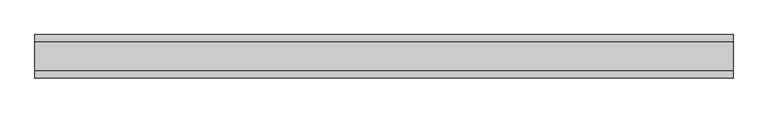
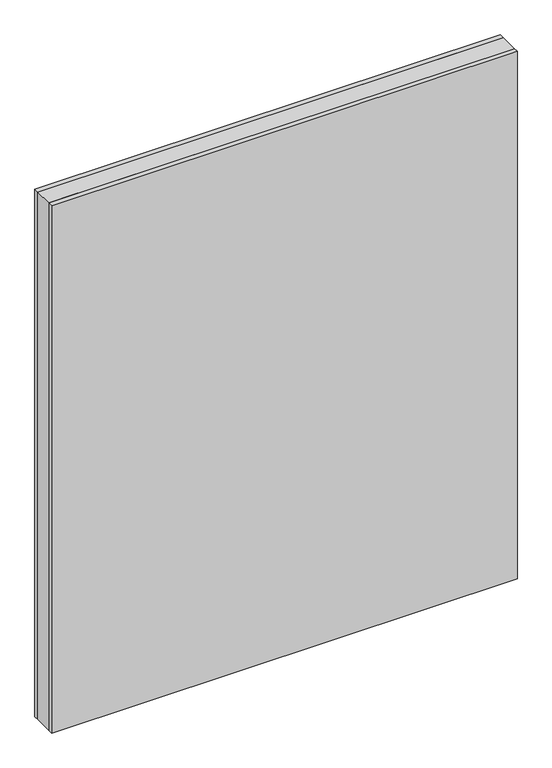
"""IFC4 building model written with IfcOpenShell, lengths in millimetres: plate geometry."""

from ifc_helpers import new_model, si_unit, origin, origin_with_axes, place, context, project, spatial, polyline, outline, extrude, source, transform, mapped, element, save


def plate_d7c320c4(model_context):
    return source(origin(), model_context, "Body", "SweptSolid", [
        extrude(outline(polyline([(602.1875001, 24.2), (602.1875001, -24.2), (-602.1875001, -24.2), (-602.1875001, 24.2), (602.1875001, 24.2)])), origin_with_axes(), (0.0, 0.0, 1.0), 1440.75),
        extrude(outline(polyline([(602.1875001, 37.2), (602.1875001, 24.2), (-602.1875001, 24.2), (-602.1875001, 37.2), (602.1875001, 37.2)])), origin_with_axes(), (0.0, 0.0, 1.0), 1440.75),
        extrude(outline(polyline([(-602.1875001, -37.2), (-602.1875001, -24.2), (602.1875001, -24.2), (602.1875001, -37.2), (-602.1875001, -37.2)])), origin_with_axes(), (0.0, 0.0, 1.0), 1440.75),
    ])


if __name__ == "__main__":
    model = new_model("IFC4")
    model_context = context("Model", 3, world=origin())
    ifc_project = project(units=[si_unit("LENGTHUNIT", "METRE", prefix="MILLI")], contexts=[model_context])
    site = spatial("IfcSite", under=ifc_project)
    building = spatial("IfcBuilding", under=site)
    placement = place(None, origin())
    plate_shape = plate_d7c320c4(model_context)
    element("IfcPlate", 1, at=placement, inside=building, context=model_context, shape_type="MappedRepresentation", body=[
        mapped(plate_shape, transform((0.0, 0.0, 0.0), x_axis=(1.0, 0.0, 0.0), y_axis=(0.0, 1.0, 0.0), z_axis=(0.0, 0.0, 1.0))),
    ])
    save(model, "model.ifc")
